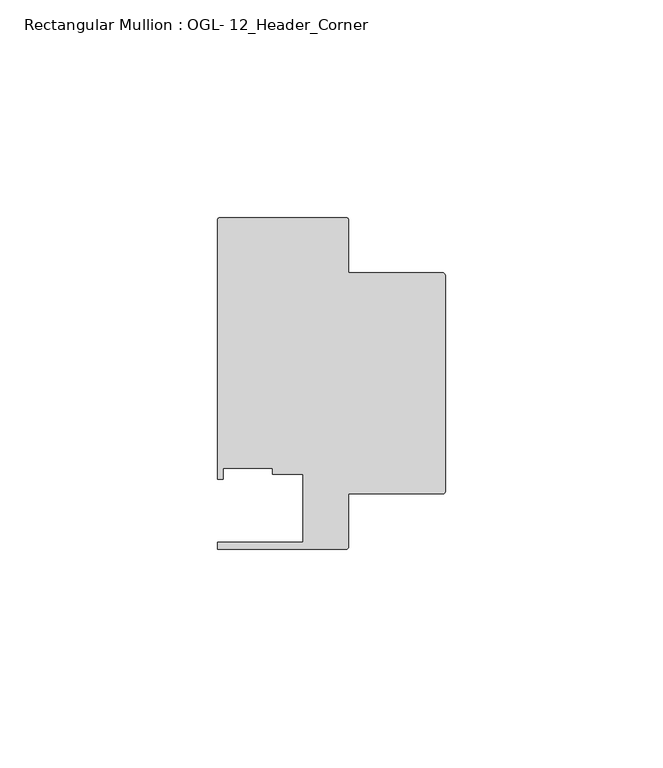
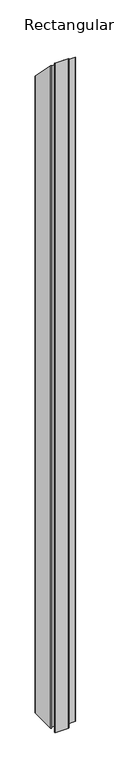
"""IFC4 building model written with IfcOpenShell, lengths in millimetres: member geometry, Rectangular Mullion : OGL- 12_Header_Corner."""

from ifc_helpers import new_model, si_unit, frame, origin, place, context, project, spatial, circle_curve, ellipse_curve, source, transform, mapped, element, save
from ifc_brep_helpers import plane_surface, cylinder_surface, advanced_brep


def rectangular_mullion_ogl_12_header_corner_cb7ea6d8(model_context):
    return source(origin(), model_context, "Body", "AdvancedBrep", [
        advanced_brep(
        [(-0.5953125, 55.5625, -1524.0), (0.0, 54.9671875, -1524.0), (0.0, 5.3578125, -1524.0), (-0.5953125, 4.7625, -1524.0), (-22.2332898, 4.7625, -1524.0), (-22.2332898, -7.294459, -1524.0), (-22.8763468, -7.937516, -1524.0), (-52.3830881, -7.937516, -1524.0), (-52.3830881, -6.350016, -1524.0), (-32.730302, -6.350016, -1524.0), (-32.730302, 9.3367652, -1524.0), (-39.7567771, 9.3367652, -1524.0), (-39.7567771, 10.6800725, -1524.0), (-51.1362531, 10.6800725, -1524.0), (-51.1362531, 8.1914024, -1524.0), (-52.3921824, 8.1914024, -1524.0), (-52.3921824, 67.6668667, -1524.0), (-51.7968699, 68.2621792, -1524.0), (-22.8286023, 68.2621792, -1524.0), (-22.2332898, 67.6668667, -1524.0), (-22.2332898, 55.5625, -1524.0), (-22.2332898, 55.5625, -55.5625), (-0.5953125, 55.5625, -55.5625), (-22.2332898, 67.6668667, -67.6668667), (-22.8286023, 68.2621792, -68.2621792), (-51.7968699, 68.2621792, -68.2621792), (-52.3921824, 67.6668667, -67.6668667), (-52.3921824, 8.1914024, -8.1914024), (-51.1362531, 8.1914024, -8.1914024), (-51.1362531, 10.6800725, -10.6800725), (-39.7567771, 10.6800725, -10.6800725), (-39.7567771, 9.3367652, -9.3367652), (-32.730302, 9.3367652, -9.3367652), (-32.730302, -6.350016, 6.350016), (-52.3830881, -6.350016, 6.350016), (-52.3830881, -7.937516, 7.937516), (-22.8763468, -7.937516, 7.937516), (-22.2332898, -7.294459, 7.294459), (-22.2332898, 4.7625, -4.7625), (-0.5953125, 4.7625, -4.7625), (0.0, 5.3578125, -5.3578125), (0.0, 54.9671875, -54.9671875)],
        [
            (0, 1, circle_curve(frame((-0.5953125, 54.9671875, -1524.0), z_axis=(0.0, 0.0, -1.0), x_axis=(0.0, 1.0, 0.0)), 0.5953125)),
            (1, 2),
            (2, 3, circle_curve(frame((-0.5953125, 5.3578125, -1524.0), z_axis=(0.0, 0.0, -1.0), x_axis=(1.0, 0.0, 0.0)), 0.5953125)),
            (3, 4),
            (4, 5),
            (5, 6, circle_curve(frame((-22.8763468, -7.294459, -1524.0), z_axis=(0.0, 0.0, -1.0), x_axis=(1.0, 0.0, 0.0)), 0.643057)),
            (6, 7),
            (7, 8),
            (8, 9),
            (9, 10),
            (10, 11),
            (11, 12),
            (12, 13),
            (13, 14),
            (14, 15),
            (15, 16),
            (16, 17, circle_curve(frame((-51.7968699, 67.6668667, -1524.0), z_axis=(0.0, 0.0, -1.0), x_axis=(1.0, 0.0, 0.0)), 0.5953125)),
            (17, 18),
            (18, 19, circle_curve(frame((-22.8286023, 67.6668667, -1524.0), z_axis=(0.0, 0.0, -1.0), x_axis=(1.0, 0.0, 0.0)), 0.5953125)),
            (19, 20),
            (20, 0),
            (21, 22),
            (22, 0),
            (20, 21),
            (23, 21),
            (19, 23),
            (24, 23, ellipse_curve(frame((-22.8286023, 67.6668667, -67.6668667), z_axis=(0.0, -0.7071067811865466, -0.7071067811865486), x_axis=(0.0, -0.7071067811865486, 0.7071067811865465)), 0.841899, 0.5953125)),
            (18, 24),
            (25, 24),
            (17, 25),
            (26, 25, ellipse_curve(frame((-51.7968699, 67.6668667, -67.6668667), z_axis=(0.0, -0.7071067811865466, -0.7071067811865486), x_axis=(0.0, -0.7071067811865486, 0.7071067811865465)), 0.841899, 0.5953125)),
            (16, 26),
            (27, 26),
            (15, 27),
            (28, 27),
            (14, 28),
            (29, 28),
            (13, 29),
            (30, 29),
            (12, 30),
            (31, 30),
            (11, 31),
            (32, 31),
            (10, 32),
            (33, 32),
            (9, 33),
            (34, 33),
            (8, 34),
            (35, 34),
            (7, 35),
            (36, 35),
            (6, 36),
            (37, 36, ellipse_curve(frame((-22.8763468, -7.294459, 7.294459), z_axis=(0.0, -0.7071067811865466, -0.7071067811865486), x_axis=(0.0, -0.7071067811865486, 0.7071067811865465)), 0.9094199, 0.643057)),
            (5, 37),
            (38, 37),
            (4, 38),
            (39, 38),
            (3, 39),
            (40, 39, ellipse_curve(frame((-0.5953125, 5.3578125, -5.3578125), z_axis=(0.0, -0.7071067811865466, -0.7071067811865486), x_axis=(0.0, -0.7071067811865486, 0.7071067811865465)), 0.841899, 0.5953125)),
            (2, 40),
            (41, 40),
            (1, 41),
            (22, 41, ellipse_curve(frame((-0.5953125, 54.9671875, -54.9671875), z_axis=(0.0, -0.7071067811865466, -0.7071067811865486), x_axis=(0.0, -0.7071067811865486, 0.7071067811865465)), 0.841899, 0.5953125)),
        ],
        [
            plane_surface(frame((0.0, -85.8058936, -1524.0), z_axis=(0.0, 0.0, -1.0), x_axis=(-1.0, 0.0, 0.0))),
            plane_surface(frame((-0.5953125, 55.5625, 0.0), z_axis=(0.0, 1.0, 0.0), x_axis=(0.0, 0.0, -1.0))),
            plane_surface(frame((-22.2332898, 55.5625, 0.0), z_axis=(1.0, 0.0, 0.0), x_axis=(0.0, 0.0, -1.0))),
            cylinder_surface(frame((-22.8286023, 67.6668667, 0.0), z_axis=(0.0, 0.0, 1.0), x_axis=(1.0, 0.0, 0.0)), 0.5953125),
            plane_surface(frame((-22.8286023, 68.2621792, 0.0), z_axis=(0.0, 1.0, 0.0), x_axis=(0.0, 0.0, -1.0))),
            cylinder_surface(frame((-51.7968699, 67.6668667, 0.0), z_axis=(0.0, 0.0, 1.0), x_axis=(1.0, 0.0, 0.0)), 0.5953125),
            plane_surface(frame((-52.3921824, 67.6668667, 0.0), z_axis=(-1.0, 0.0, 0.0), x_axis=(0.0, 0.0, -1.0))),
            plane_surface(frame((-52.3921824, 8.1914024, 0.0), z_axis=(0.0, -1.0, 0.0), x_axis=(0.0, 0.0, -1.0))),
            plane_surface(frame((-51.1362531, 8.1914024, 0.0), z_axis=(1.0, 0.0, 0.0), x_axis=(0.0, 0.0, -1.0))),
            plane_surface(frame((-51.1362531, 10.6800725, 0.0), z_axis=(0.0, -1.0, 0.0), x_axis=(0.0, 0.0, -1.0))),
            plane_surface(frame((-39.7567771, 10.6800725, 0.0), z_axis=(-1.0, 0.0, 0.0), x_axis=(0.0, 0.0, -1.0))),
            plane_surface(frame((-39.7567771, 9.3367652, 0.0), z_axis=(0.0, -1.0, 0.0), x_axis=(0.0, 0.0, -1.0))),
            plane_surface(frame((-32.730302, 9.3367652, 0.0), z_axis=(-1.0, 0.0, 0.0), x_axis=(0.0, 0.0, -1.0))),
            plane_surface(frame((-32.730302, -6.350016, 0.0), z_axis=(0.0, 1.0, 0.0), x_axis=(0.0, 0.0, -1.0))),
            plane_surface(frame((-52.3830881, -6.350016, 0.0), z_axis=(-1.0, 0.0, 0.0), x_axis=(0.0, 0.0, -1.0))),
            plane_surface(frame((-52.3830881, -7.937516, 0.0), z_axis=(0.0, -1.0, 0.0), x_axis=(0.0, 0.0, -1.0))),
            cylinder_surface(frame((-22.8763468, -7.294459, 0.0), z_axis=(0.0, 0.0, 1.0), x_axis=(1.0, 0.0, 0.0)), 0.643057),
            plane_surface(frame((-22.2332898, -7.294459, 0.0), z_axis=(1.0, 0.0, 0.0), x_axis=(0.0, 0.0, -1.0))),
            plane_surface(frame((-22.2332898, 4.7625, 0.0), z_axis=(0.0, -1.0, 0.0), x_axis=(0.0, 0.0, -1.0))),
            cylinder_surface(frame((-0.5953125, 5.3578125, 0.0), z_axis=(0.0, 0.0, 1.0), x_axis=(1.0, 0.0, 0.0)), 0.5953125),
            plane_surface(frame((0.0, 5.3578125, 0.0), z_axis=(1.0, 0.0, 0.0), x_axis=(0.0, 0.0, -1.0))),
            cylinder_surface(frame((-0.5953125, 54.9671875, 0.0), z_axis=(0.0, 0.0, 1.0), x_axis=(0.0, 1.0, 0.0)), 0.5953125),
            plane_surface(frame((-304.8, 0.0, 0.0), z_axis=(0.0, 0.7071067811865466, 0.7071067811865486), x_axis=(0.0, 0.7071067811865486, -0.7071067811865466))),
        ],
        [
            (0, [[1, 2, 3, 4, 5, 6, 7, 8, 9, 10, 11, 12, 13, 14, 15, 16, 17, 18, 19, 20, 21]]),
            (1, [[22, 23, -21, 24]]),
            (2, [[25, -24, -20, 26]]),
            (3, [[27, -26, -19, 28]]),
            (4, [[29, -28, -18, 30]]),
            (5, [[31, -30, -17, 32]]),
            (6, [[33, -32, -16, 34]]),
            (7, [[35, -34, -15, 36]]),
            (8, [[37, -36, -14, 38]]),
            (9, [[39, -38, -13, 40]]),
            (10, [[41, -40, -12, 42]]),
            (11, [[43, -42, -11, 44]]),
            (12, [[45, -44, -10, 46]]),
            (13, [[47, -46, -9, 48]]),
            (14, [[49, -48, -8, 50]]),
            (15, [[51, -50, -7, 52]]),
            (16, [[53, -52, -6, 54]]),
            (17, [[55, -54, -5, 56]]),
            (18, [[57, -56, -4, 58]]),
            (19, [[59, -58, -3, 60]]),
            (20, [[61, -60, -2, 62]]),
            (21, [[63, -62, -1, -23]]),
            (22, [[-22, -25, -27, -29, -31, -33, -35, -37, -39, -41, -43, -45, -47, -49, -51, -53, -55, -57, -59, -61, -63]]),
        ],
    ),
    ])


if __name__ == "__main__":
    model = new_model("IFC4")
    model_context = context("Model", 3, world=origin())
    ifc_project = project(units=[si_unit("LENGTHUNIT", "METRE", prefix="MILLI")], contexts=[model_context])
    site = spatial("IfcSite", under=ifc_project)
    building = spatial("IfcBuilding", under=site)
    placement = place(None, origin())
    rectangular_mullion_ogl_12_header_corner_shape = rectangular_mullion_ogl_12_header_corner_cb7ea6d8(model_context)
    element("IfcMember", 1, ObjectType="Rectangular Mullion : OGL- 12_Header_Corner", at=placement, inside=building, context=model_context, shape_type="MappedRepresentation", body=[
        mapped(rectangular_mullion_ogl_12_header_corner_shape, transform((0.0, 0.0, 0.0), x_axis=(1.0, 0.0, 0.0), y_axis=(0.0, 1.0, 0.0), z_axis=(0.0, 0.0, 1.0))),
    ])
    save(model, "model.ifc")
